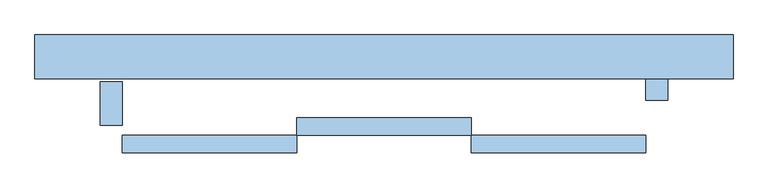
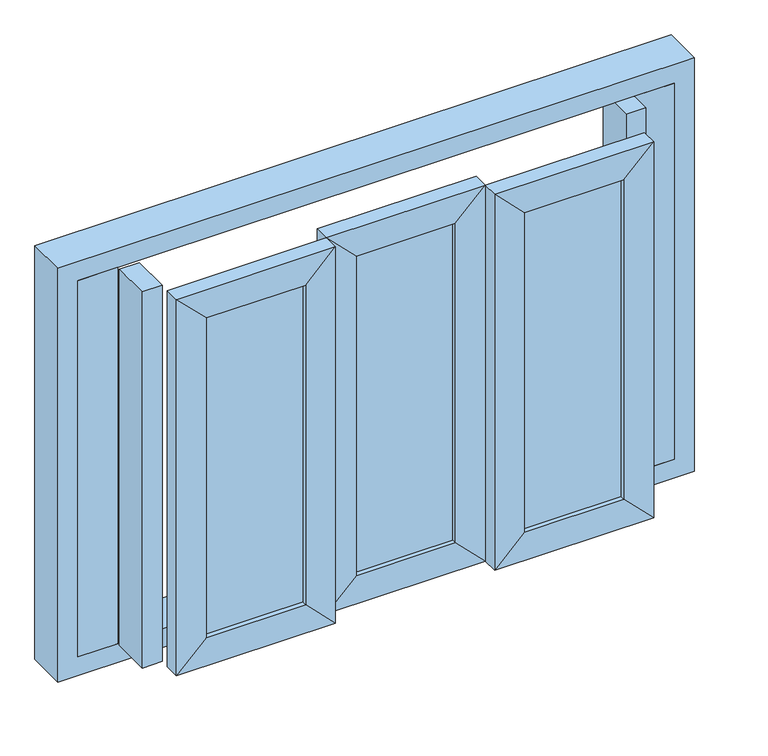
"""IFC4 building model written with IfcOpenShell, lengths in millimetres: window geometry."""

from ifc_helpers import new_model, si_unit, frame, origin, place, context, project, spatial, polyline, outline, extrude, faceted_brep, source, transform, mapped, element, save


def window_a230ad80(model_context):
    return source(origin(), model_context, "Body", "SolidModel", [
        extrude(outline(polyline([(135.0506617, 15.0), (-135.0506617, 15.0), (-135.0506617, 25.0), (135.0506617, 25.0), (135.0506617, 15.0)])), frame((0.0, 0.0, 1264.9493383), z_axis=(0.0, 0.0, 1.0), x_axis=(1.0, 0.0, 0.0)), (0.0, 0.0, 1.0), 870.1013234),
        faceted_brep([(-124.8867497, 17.9844293, 2124.8867497), (-124.8867497, 2.5, 2124.8867497), (-124.8867497, 2.5, 1275.1132503), (-124.8867497, 17.9844293, 1275.1132503), (-159.1666667, 17.9844293, 2159.1666667), (-159.1666667, 17.9844293, 1240.8333333), (-159.1666667, 27.9844293, 2159.1666667), (-159.1666667, 27.9844293, 1240.8333333), (-124.8867497, 27.9844293, 2124.8867497), (-124.8867497, 27.9844293, 1275.1132503), (-135.0506617, 42.5, 2135.0506617), (-135.0506617, 42.5, 1264.9493383), (-200.0, 42.5, 2200.0), (-200.0, 42.5, 1200.0), (-200.0, 2.5, 2200.0), (-200.0, 2.5, 1200.0), (124.8867497, 2.5, 1275.1132503), (124.8867497, 17.9844293, 1275.1132503), (159.1666667, 17.9844293, 1240.8333333), (159.1666667, 27.9844293, 1240.8333333), (124.8867497, 27.9844293, 1275.1132503), (135.0506617, 42.5, 1264.9493383), (200.0, 42.5, 1200.0), (200.0, 2.5, 1200.0), (124.8867497, 2.5, 2124.8867497), (124.8867497, 17.9844293, 2124.8867497), (159.1666667, 17.9844293, 2159.1666667), (159.1666667, 27.9844293, 2159.1666667), (124.8867497, 27.9844293, 2124.8867497), (135.0506617, 42.5, 2135.0506617), (200.0, 42.5, 2200.0), (200.0, 2.5, 2200.0)], [[[0, 1, 2, 3]], [[4, 0, 3, 5]], [[6, 4, 5, 7]], [[8, 6, 7, 9]], [[10, 8, 9, 11]], [[12, 10, 11, 13]], [[14, 12, 13, 15]], [[1, 14, 15, 2]], [[3, 2, 16, 17]], [[5, 3, 17, 18]], [[7, 5, 18, 19]], [[9, 7, 19, 20]], [[11, 9, 20, 21]], [[13, 11, 21, 22]], [[15, 13, 22, 23]], [[2, 15, 23, 16]], [[17, 16, 24, 25]], [[18, 17, 25, 26]], [[19, 18, 26, 27]], [[20, 19, 27, 28]], [[21, 20, 28, 29]], [[22, 21, 29, 30]], [[23, 22, 30, 31]], [[16, 23, 31, 24]], [[25, 24, 1, 0]], [[26, 25, 0, 4]], [[27, 26, 4, 6]], [[28, 27, 6, 8]], [[29, 28, 8, 10]], [[30, 29, 10, 12]], [[31, 30, 12, 14]], [[24, 31, 14, 1]]]),
        extrude(outline(polyline([(-264.9493383, -25.0), (-535.0506617, -25.0), (-535.0506617, -15.0), (-264.9493383, -15.0), (-264.9493383, -25.0)])), frame((0.0, 0.0, 1264.9493383), z_axis=(0.0, 0.0, 1.0), x_axis=(1.0, 0.0, 0.0)), (0.0, 0.0, 1.0), 870.1013234),
        faceted_brep([(-524.8867497, -22.0155707, 2124.8867497), (-524.8867497, -37.5, 2124.8867497), (-524.8867497, -37.5, 1275.1132503), (-524.8867497, -22.0155707, 1275.1132503), (-559.1666667, -22.0155707, 2159.1666667), (-559.1666667, -22.0155707, 1240.8333333), (-559.1666667, -12.0155707, 2159.1666667), (-559.1666667, -12.0155707, 1240.8333333), (-524.8867497, -12.0155707, 2124.8867497), (-524.8867497, -12.0155707, 1275.1132503), (-535.0506617, 2.5, 2135.0506617), (-535.0506617, 2.5, 1264.9493383), (-600.0, 2.5, 2200.0), (-600.0, 2.5, 1200.0), (-600.0, -37.5, 2200.0), (-600.0, -37.5, 1200.0), (-275.1132503, -37.5, 1275.1132503), (-275.1132503, -22.0155707, 1275.1132503), (-240.8333333, -22.0155707, 1240.8333333), (-240.8333333, -12.0155707, 1240.8333333), (-275.1132503, -12.0155707, 1275.1132503), (-264.9493383, 2.5, 1264.9493383), (-200.0, 2.5, 1200.0), (-200.0, -37.5, 1200.0), (-275.1132503, -37.5, 2124.8867497), (-275.1132503, -22.0155707, 2124.8867497), (-240.8333333, -22.0155707, 2159.1666667), (-240.8333333, -12.0155707, 2159.1666667), (-275.1132503, -12.0155707, 2124.8867497), (-264.9493383, 2.5, 2135.0506617), (-200.0, 2.5, 2200.0), (-200.0, -37.5, 2200.0)], [[[0, 1, 2, 3]], [[4, 0, 3, 5]], [[6, 4, 5, 7]], [[8, 6, 7, 9]], [[10, 8, 9, 11]], [[12, 10, 11, 13]], [[14, 12, 13, 15]], [[1, 14, 15, 2]], [[3, 2, 16, 17]], [[5, 3, 17, 18]], [[7, 5, 18, 19]], [[9, 7, 19, 20]], [[11, 9, 20, 21]], [[13, 11, 21, 22]], [[15, 13, 22, 23]], [[2, 15, 23, 16]], [[17, 16, 24, 25]], [[18, 17, 25, 26]], [[19, 18, 26, 27]], [[20, 19, 27, 28]], [[21, 20, 28, 29]], [[22, 21, 29, 30]], [[23, 22, 30, 31]], [[16, 23, 31, 24]], [[25, 24, 1, 0]], [[26, 25, 0, 4]], [[27, 26, 4, 6]], [[28, 27, 6, 8]], [[29, 28, 8, 10]], [[30, 29, 10, 12]], [[31, 30, 12, 14]], [[24, 31, 14, 1]]]),
        extrude(outline(polyline([(535.0506617, -25.0), (264.9493383, -25.0), (264.9493383, -15.0), (535.0506617, -15.0), (535.0506617, -25.0)])), frame((0.0, 0.0, 1264.9493383), z_axis=(0.0, 0.0, 1.0), x_axis=(1.0, 0.0, 0.0)), (0.0, 0.0, 1.0), 870.1013234),
        faceted_brep([(275.1132503, -22.0155707, 2124.8867497), (275.1132503, -37.5, 2124.8867497), (275.1132503, -37.5, 1275.1132503), (275.1132503, -22.0155707, 1275.1132503), (240.8333333, -22.0155707, 2159.1666667), (240.8333333, -22.0155707, 1240.8333333), (240.8333333, -12.0155707, 2159.1666667), (240.8333333, -12.0155707, 1240.8333333), (275.1132503, -12.0155707, 2124.8867497), (275.1132503, -12.0155707, 1275.1132503), (264.9493383, 2.5, 2135.0506617), (264.9493383, 2.5, 1264.9493383), (200.0, 2.5, 2200.0), (200.0, 2.5, 1200.0), (200.0, -37.5, 2200.0), (200.0, -37.5, 1200.0), (524.8867497, -37.5, 1275.1132503), (524.8867497, -22.0155707, 1275.1132503), (559.1666667, -22.0155707, 1240.8333333), (559.1666667, -12.0155707, 1240.8333333), (524.8867497, -12.0155707, 1275.1132503), (535.0506617, 2.5, 1264.9493383), (600.0, 2.5, 1200.0), (600.0, -37.5, 1200.0), (524.8867497, -37.5, 2124.8867497), (524.8867497, -22.0155707, 2124.8867497), (559.1666667, -22.0155707, 2159.1666667), (559.1666667, -12.0155707, 2159.1666667), (524.8867497, -12.0155707, 2124.8867497), (535.0506617, 2.5, 2135.0506617), (600.0, 2.5, 2200.0), (600.0, -37.5, 2200.0)], [[[0, 1, 2, 3]], [[4, 0, 3, 5]], [[6, 4, 5, 7]], [[8, 6, 7, 9]], [[10, 8, 9, 11]], [[12, 10, 11, 13]], [[14, 12, 13, 15]], [[1, 14, 15, 2]], [[3, 2, 16, 17]], [[5, 3, 17, 18]], [[7, 5, 18, 19]], [[9, 7, 19, 20]], [[11, 9, 20, 21]], [[13, 11, 21, 22]], [[15, 13, 22, 23]], [[2, 15, 23, 16]], [[17, 16, 24, 25]], [[18, 17, 25, 26]], [[19, 18, 26, 27]], [[20, 19, 27, 28]], [[21, 20, 28, 29]], [[22, 21, 29, 30]], [[23, 22, 30, 31]], [[16, 23, 31, 24]], [[25, 24, 1, 0]], [[26, 25, 0, 4]], [[27, 26, 4, 6]], [[28, 27, 6, 8]], [[29, 28, 8, 10]], [[30, 29, 10, 12]], [[31, 30, 12, 14]], [[24, 31, 14, 1]]]),
        extrude(outline(polyline([(750.0, 132.5), (650.0, 132.5), (650.0, 137.5), (750.0, 137.5), (750.0, 132.5)])), frame((0.0, 0.0, 1200.0), z_axis=(0.0, 0.0, 1.0), x_axis=(1.0, 0.0, 0.0)), (0.0, 0.0, 1.0), 1000.0),
        extrude(outline(polyline([(-650.0, 132.5), (-750.0, 132.5), (-750.0, 137.5), (-650.0, 137.5), (-650.0, 132.5)])), frame((0.0, 0.0, 1200.0), z_axis=(0.0, 0.0, 1.0), x_axis=(1.0, 0.0, 0.0)), (0.0, 0.0, 1.0), 1000.0),
        extrude(outline(polyline([(-600.0, 25.0), (-650.0, 25.0), (-650.0, 125.0), (-600.0, 125.0), (-600.0, 25.0)])), frame((0.0, 0.0, 1200.0), z_axis=(0.0, 0.0, 1.0), x_axis=(1.0, 0.0, 0.0)), (0.0, 0.0, 1.0), 1000.0),
        extrude(outline(polyline([(650.0, 82.5), (600.0, 82.5), (600.0, 182.5), (650.0, 182.5), (650.0, 82.5)])), frame((0.0, 0.0, 1200.0), z_axis=(0.0, 0.0, 1.0), x_axis=(1.0, 0.0, 0.0)), (0.0, 0.0, 1.0), 1000.0),
        extrude(outline(polyline([(2250.0, -800.0), (1150.0, -800.0), (1150.0, 800.0), (2250.0, 800.0), (2250.0, -800.0)]), holes=[polyline([(2200.0, -750.0), (2200.0, 750.0), (1200.0, 750.0), (1200.0, -750.0), (2200.0, -750.0)])]), frame((0.0, 132.5, 0.0), z_axis=(0.0, 1.0, 0.0), x_axis=(0.0, 0.0, 1.0)), (0.0, 0.0, 1.0), 100.0),
    ])


if __name__ == "__main__":
    model = new_model("IFC4")
    model_context = context("Model", 3, world=origin())
    ifc_project = project(units=[si_unit("LENGTHUNIT", "METRE", prefix="MILLI")], contexts=[model_context])
    site = spatial("IfcSite", under=ifc_project)
    building = spatial("IfcBuilding", under=site)
    placement = place(None, origin())
    window_shape = window_a230ad80(model_context)
    element("IfcWindow", 1, at=placement, inside=building, context=model_context, shape_type="MappedRepresentation", body=[
        mapped(window_shape, transform((0.0, 0.0, 0.0), x_axis=(1.0, 0.0, 0.0), y_axis=(0.0, 1.0, 0.0), z_axis=(0.0, 0.0, 1.0))),
    ])
    save(model, "model.ifc")
